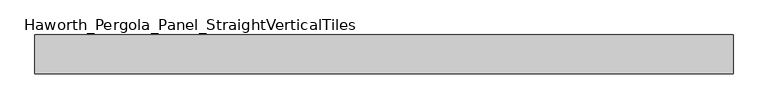
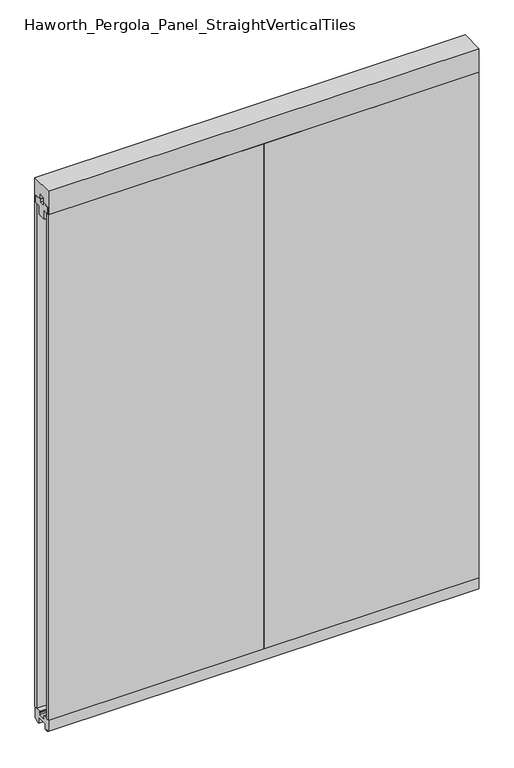
"""IFC4 building model written with IfcOpenShell, lengths in millimetres: furniture geometry, Haworth_Pergola_Panel_StraightVerticalTiles."""

from ifc_helpers import new_model, si_unit, frame, origin, place, context, project, spatial, polyline, outline, extrude, source, transform, mapped, element, save


def haworth_pergola_panel_straightverticaltiles_2ba53f7f(model_context):
    return source(origin(), model_context, "Body", "SweptSolid", [
        extrude(outline(polyline([(-12.7, 2363.5890625), (-12.7, 2350.8890625), (12.7, 2350.8890625), (12.7, 2363.5890625), (44.45, 2363.5890625), (44.45, 2331.8390625), (19.05, 2331.8390625), (19.05, 2293.7390625), (-19.05, 2293.7390625), (-19.05, 2331.8390625), (-44.45, 2331.8390625), (-44.45, 2363.5890625), (-12.7, 2363.5890625)])), frame((38.1, 0.0, 0.0), z_axis=(1.0, 0.0, 0.0), x_axis=(0.0, 1.0, 0.0)), (0.0, 0.0, 1.0), 914.4),
        extrude(outline(polyline([(38.1, -50.8), (38.1, -38.1), (952.5, -38.1), (952.5, -50.8), (38.1, -50.8)])), frame((0.0, 0.0, 63.5), z_axis=(0.0, 0.0, 1.0), x_axis=(1.0, 0.0, 0.0)), (0.0, 0.0, 1.0), 2268.3390625),
        extrude(outline(polyline([(38.1, 38.1), (38.1, 50.8), (952.5, 50.8), (952.5, 38.1), (38.1, 38.1)])), frame((0.0, 0.0, 63.5), z_axis=(0.0, 0.0, 1.0), x_axis=(1.0, 0.0, 0.0)), (0.0, 0.0, 1.0), 2268.3390625),
        extrude(outline(polyline([(-12.7, 2363.5890625), (-12.7, 2350.8890625), (12.7, 2350.8890625), (12.7, 2363.5890625), (44.45, 2363.5890625), (44.45, 2331.8390625), (19.05, 2331.8390625), (19.05, 2293.7390625), (-19.05, 2293.7390625), (-19.05, 2331.8390625), (-44.45, 2331.8390625), (-44.45, 2363.5890625), (-12.7, 2363.5890625)])), frame((-876.3, 0.0, 0.0), z_axis=(1.0, 0.0, 0.0), x_axis=(0.0, 1.0, 0.0)), (0.0, 0.0, 1.0), 914.4),
        extrude(outline(polyline([(-876.3, -50.8), (-876.3, -38.1), (38.1, -38.1), (38.1, -50.8), (-876.3, -50.8)])), frame((0.0, 0.0, 63.5), z_axis=(0.0, 0.0, 1.0), x_axis=(1.0, 0.0, 0.0)), (0.0, 0.0, 1.0), 2268.3390625),
        extrude(outline(polyline([(-876.3, 38.1), (-876.3, 50.8), (38.1, 50.8), (38.1, 38.1), (-876.3, 38.1)])), frame((0.0, 0.0, 63.5), z_axis=(0.0, 0.0, 1.0), x_axis=(1.0, 0.0, 0.0)), (0.0, 0.0, 1.0), 2268.3390625),
        extrude(outline(polyline([(50.8, 2438.4), (50.8, 2331.8390625), (15.2182948, 2331.8390625), (15.2182948, 2388.7001663), (-15.2182948, 2388.7001663), (-15.2182948, 2331.8390625), (-50.8, 2331.8390625), (-50.8, 2438.4), (50.8, 2438.4)])), frame((-876.3, 0.0, 0.0), z_axis=(1.0, 0.0, 0.0), x_axis=(0.0, 1.0, 0.0)), (0.0, 0.0, 1.0), 1828.8),
        extrude(outline(polyline([(16.2000002, 63.5), (50.0000003, 63.5), (50.0000003, 12.6999985), (40.9499986, 12.6999985), (38.949998, 10.6999979), (28.9499998, 10.6999979), (28.9499998, 7.6999994), (38.949998, 7.6999994), (38.949998, 5.6999988), (23.7499992, 5.6999988), (23.7499992, 31.4500009), (-23.7499993, 31.4500009), (-23.7499993, 5.6999988), (-38.9499981, 5.6999988), (-38.9499981, 7.6999994), (-28.9499999, 7.6999994), (-28.9499999, 10.6999979), (-38.9499981, 10.6999979), (-40.9499987, 12.6999985), (-50.0000004, 12.6999985), (-50.0000004, 63.5), (-16.2000003, 63.5), (-16.5085718, 61.7499999), (-13.3999997, 61.7499999), (-13.3999997, 58.8973461), (-15.4000003, 59.2499999), (-15.4000003, 48.3500004), (15.4000002, 48.3500004), (15.4000002, 59.2499999), (13.3999996, 58.8973461), (13.3999996, 61.7499999), (16.5085717, 61.7499999), (16.2000002, 63.5)])), frame((-876.3, 0.0, 0.0), z_axis=(1.0, 0.0, 0.0), x_axis=(0.0, 1.0, 0.0)), (0.0, 0.0, 1.0), 1828.8),
    ])


if __name__ == "__main__":
    model = new_model("IFC4")
    model_context = context("Model", 3, world=origin())
    ifc_project = project(units=[si_unit("LENGTHUNIT", "METRE", prefix="MILLI")], contexts=[model_context])
    site = spatial("IfcSite", under=ifc_project)
    building = spatial("IfcBuilding", under=site)
    placement = place(None, origin())
    haworth_pergola_panel_straightverticaltiles_shape = haworth_pergola_panel_straightverticaltiles_2ba53f7f(model_context)
    element("IfcFurniture", 1, ObjectType="Haworth_Pergola_Panel_StraightVerticalTiles", at=placement, inside=building, context=model_context, shape_type="MappedRepresentation", body=[
        mapped(haworth_pergola_panel_straightverticaltiles_shape, transform((0.0, 0.0, 0.0), x_axis=(1.0, 0.0, 0.0), y_axis=(0.0, 1.0, 0.0), z_axis=(0.0, 0.0, 1.0))),
    ])
    save(model, "model.ifc")
